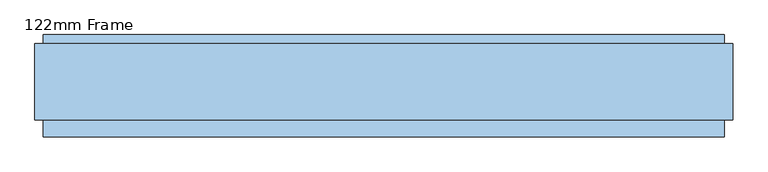
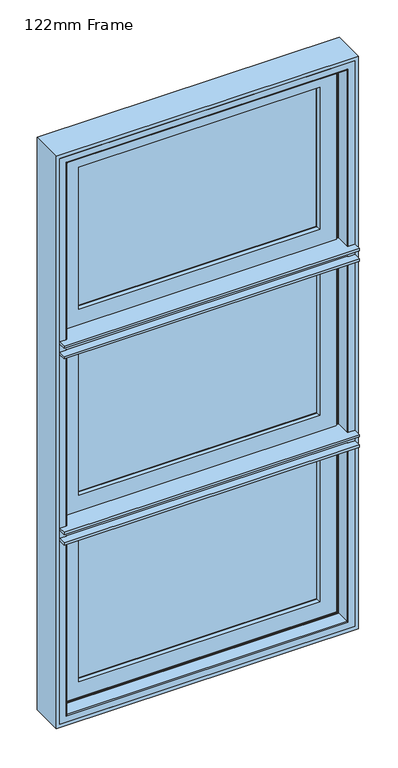
"""IFC4 building model written with IfcOpenShell, lengths in millimetres: window geometry, 122mm Frame."""

from ifc_helpers import new_model, si_unit, frame, origin, place, context, project, spatial, polyline, circle_curve, ellipse_curve, outline, extrude, faceted_brep, source, transform, mapped, element, save
from ifc_brep_helpers import plane_surface, cylinder_surface, advanced_brep


def window_122mm_frame_17906b58(model_context):
    return source(origin(), model_context, "Body", "SolidModel", [
        extrude(outline(polyline([(-410.0, 141.0), (410.0, 141.0), (410.0, 93.0), (-410.0, 93.0), (-410.0, 141.0)])), frame((0.0, 0.0, 890.0), z_axis=(0.0, 0.0, 1.0), x_axis=(1.0, 0.0, 0.0)), (0.0, 0.0, 1.0), 518.6666667),
        faceted_brep([(-432.3998467, 148.4070391, 1431.0665133), (-432.3998467, 153.0, 1431.0665133), (-432.3998467, 153.0, 867.6001533), (-432.3998467, 148.4070391, 867.6001533), (432.3998467, 153.0, 1431.0665133), (432.3998467, 153.0, 867.6001533), (-399.2566168, 153.0, 900.7433832), (399.2566168, 153.0, 900.7433832), (399.2566168, 153.0, 1397.9232834), (-399.2566168, 153.0, 1397.9232834), (432.3998467, 148.4070391, 867.6001533), (-437.6739389, 139.5531262, 1436.3406056), (-437.6739389, 139.5531262, 862.3260611), (437.6739389, 139.5531262, 862.3260611), (-439.5133955, 139.5531262, 1438.1800622), (439.5133955, 139.5531262, 1438.1800622), (439.5133955, 139.5531262, 860.4866045), (-439.5133955, 139.5531262, 860.4866045), (437.6739389, 139.5531262, 1436.3406056), (-439.5133955, 121.0, 1438.1800622), (-439.5133955, 121.0, 860.4866045), (439.5133955, 121.0, 860.4866045), (-449.5133955, 121.0, 1448.1800622), (449.5133955, 121.0, 1448.1800622), (449.5133955, 121.0, 850.4866045), (-449.5133955, 121.0, 850.4866045), (439.5133955, 121.0, 1438.1800622), (-449.5133955, 88.5, 1448.1800622), (-449.5133955, 88.5, 850.4866045), (449.5133955, 88.5, 850.4866045), (-460.2977, 88.5, 1458.9643666), (460.2976999, 88.5, 1458.9643666), (460.2976999, 88.5, 839.7023), (-460.2977, 88.5, 839.7023), (449.5133955, 88.5, 1448.1800622), (-460.2977, 83.5, 1458.9643666), (-460.2977, 83.5, 839.7023), (460.2976999, 83.5, 839.7023), (460.2976999, 83.5, 1458.9643666), (-453.5, 83.5, 1452.1666667), (453.5, 83.5, 1452.1666667), (453.5, 83.5, 846.5), (-453.5, 83.5, 846.5), (-453.5, 78.0, 1452.1666667), (-453.5, 78.0, 846.5), (453.5, 78.0, 846.5), (453.5, 78.0, 1452.1666667), (-398.3157816, 78.0, 1396.9824483), (398.3157816, 78.0, 1396.9824483), (398.3157816, 78.0, 901.6842184), (-398.3157816, 78.0, 901.6842184), (-396.0003067, 88.8934531, 1394.6669733), (-396.0003067, 88.8934531, 903.9996933), (396.0003067, 88.8934531, 903.9996933), (-396.0003067, 93.0, 1394.6669733), (-396.0003067, 93.0, 903.9996933), (396.0003067, 93.0, 903.9996933), (-410.0, 93.0, 1408.6666667), (410.0, 93.0, 1408.6666667), (410.0, 93.0, 890.0), (-410.0, 93.0, 890.0), (396.0003067, 93.0, 1394.6669733), (-410.0, 141.0, 1408.6666667), (-410.0, 141.0, 890.0), (410.0, 141.0, 890.0), (410.0, 141.0, 1408.6666667), (-395.5878486, 141.0, 1394.2545152), (395.5878486, 141.0, 1394.2545152), (395.5878486, 141.0, 904.4121514), (-395.5878486, 141.0, 904.4121514), (432.3998467, 148.4070391, 1431.0665133), (396.0003067, 88.8934531, 1394.6669733)], [[[0, 1, 2, 3]], [[1, 4, 5, 2], [6, 7, 8, 9]], [[3, 2, 5, 10]], [[11, 0, 3, 12]], [[12, 3, 10, 13]], [[14, 15, 16, 17], [12, 13, 18, 11]], [[19, 14, 17, 20]], [[20, 17, 16, 21]], [[22, 23, 24, 25], [20, 21, 26, 19]], [[27, 22, 25, 28]], [[28, 25, 24, 29]], [[30, 31, 32, 33], [28, 29, 34, 27]], [[35, 30, 33, 36]], [[36, 33, 32, 37]], [[36, 37, 38, 35], [39, 40, 41, 42]], [[43, 39, 42, 44]], [[44, 42, 41, 45]], [[44, 45, 46, 43], [47, 48, 49, 50]], [[51, 47, 50, 52]], [[52, 50, 49, 53]], [[54, 51, 52, 55]], [[55, 52, 53, 56]], [[57, 58, 59, 60], [55, 56, 61, 54]], [[62, 57, 60, 63]], [[63, 60, 59, 64]], [[63, 64, 65, 62], [66, 67, 68, 69]], [[9, 66, 69, 6]], [[6, 69, 68, 7]], [[10, 5, 4, 70]], [[13, 10, 70, 18]], [[21, 16, 15, 26]], [[29, 24, 23, 34]], [[37, 32, 31, 38]], [[45, 41, 40, 46]], [[53, 49, 48, 71]], [[56, 53, 71, 61]], [[64, 59, 58, 65]], [[7, 68, 67, 8]], [[70, 4, 1, 0]], [[18, 70, 0, 11]], [[26, 15, 14, 19]], [[34, 23, 22, 27]], [[38, 31, 30, 35]], [[46, 40, 39, 43]], [[71, 48, 47, 51]], [[61, 71, 51, 54]], [[65, 58, 57, 62]], [[8, 67, 66, 9]]]),
        advanced_brep(
        [(-464.0, 35.0, 836.0), (-464.0, 83.0, 836.0), (-464.0, 83.0, 1452.5666669), (-464.0, 35.0, 1452.5666669), (-464.0, 35.0, 1462.6666667), (-464.0, 35.0, 1460.6666667), (-464.0, 83.0, 1460.6666667), (-464.0, 83.0, 1462.6666667), (-464.0, 83.0, 2764.0), (-464.0, 35.0, 2764.0), (-464.0, 35.0, 2147.4333331), (-464.0, 83.0, 2147.4333331), (-464.0, 35.0, 1488.6666667), (-464.0, 35.0, 1486.6666667), (-464.0, 83.0, 1486.6666667), (-464.0, 83.0, 1488.6666667), (-464.0, 35.0, 1496.7666665), (-464.0, 83.0, 1496.7666665), (-464.0, 83.0, 2103.2333335), (-464.0, 35.0, 2103.2333335), (-464.0, 35.0, 2113.3333333), (-464.0, 35.0, 2111.3333333), (-464.0, 83.0, 2111.3333333), (-464.0, 83.0, 2113.3333333), (-464.0, 35.0, 2139.3333333), (-464.0, 35.0, 2137.3333333), (-464.0, 83.0, 2137.3333333), (-464.0, 83.0, 2139.3333333), (464.0, 35.0, 836.0), (464.0, 83.0, 836.0), (464.0, 83.0, 1452.5666669), (462.0, 83.0, 1452.5666669), (462.0, 83.0, 838.0), (-462.0, 83.0, 838.0), (-462.0, 83.0, 1452.5666669), (464.0, 83.0, 2764.0), (-462.0, 83.0, 2147.4333331), (-462.0, 83.0, 2762.0), (462.0, 83.0, 2762.0), (462.0, 83.0, 2147.4333331), (464.0, 83.0, 2147.4333331), (464.0, 83.0, 2111.3333333), (464.0, 83.0, 2113.3333333), (464.0, 83.0, 1460.6666667), (464.0, 83.0, 1462.6666667), (464.0, 83.0, 1486.6666667), (464.0, 83.0, 1488.6666667), (464.0, 83.0, 2137.3333333), (464.0, 83.0, 2139.3333333), (-462.0, 83.0, 1496.7666665), (-462.0, 83.0, 2103.2333335), (462.0, 83.0, 1496.7666665), (464.0, 83.0, 1496.7666665), (464.0, 83.0, 2103.2333335), (462.0, 83.0, 2103.2333335), (-467.0, 32.0, 833.0), (-467.0, 32.0, 1452.5666669), (-467.0, 32.0, 1462.6666667), (-467.0, 32.0, 1460.6666667), (-467.0, 32.0, 2767.0), (-467.0, 32.0, 2147.4333331), (-467.0, 32.0, 1488.6666667), (-467.0, 32.0, 1486.6666667), (-467.0, 32.0, 2113.3333333), (-467.0, 32.0, 2111.3333333), (-467.0, 32.0, 2139.3333333), (-467.0, 32.0, 2137.3333333), (-467.0, 32.0, 1496.7666665), (-467.0, 32.0, 2103.2333335), (-462.0, 111.4, 838.0), (-462.0, 111.4, 1452.5666669), (-462.0, 111.4, 2762.0), (-462.0, 111.4, 2147.4333331), (-462.0, 111.4, 1496.7666665), (-462.0, 111.4, 2103.2333335), (462.0, 111.4, 838.0), (462.0, 111.4, 1452.5666669), (453.9000002, 111.4, 1452.5666669), (453.9000002, 111.4, 846.0999998), (-453.9000002, 111.4, 846.0999998), (-453.9000002, 111.4, 1452.5666669), (462.0, 111.4, 2762.0), (-453.9000002, 111.4, 2147.4333331), (-453.9000002, 111.4, 2753.9000002), (453.9000002, 111.4, 2753.9000002), (453.9000002, 111.4, 2147.4333331), (462.0, 111.4, 2147.4333331), (-453.9000002, 111.4, 1496.7666665), (-453.9000002, 111.4, 2103.2333335), (453.9000002, 111.4, 1496.7666665), (462.0, 111.4, 1496.7666665), (462.0, 111.4, 2103.2333335), (453.9000002, 111.4, 2103.2333335), (-453.9000002, 126.0, 846.0999998), (-453.9000002, 126.0, 1452.5666669), (-453.9000002, 126.0, 1496.7666665), (-453.9000002, 126.0, 2103.2333335), (-453.9000002, 126.0, 2147.4333331), (-453.9000002, 126.0, 2753.9000002), (453.9000002, 126.0, 846.0999998), (453.9000002, 126.0, 1452.5666669), (446.7201943, 126.0, 853.2798057), (-446.7201943, 126.0, 853.2798057), (-446.7201943, 126.0, 1443.0666667), (446.7201943, 126.0, 1443.0666667), (453.9000002, 126.0, 2753.9000002), (453.9000002, 126.0, 2147.4333331), (446.7201943, 126.0, 2746.7201943), (446.7201943, 126.0, 2156.9333333), (-446.7201943, 126.0, 2156.9333333), (-446.7201943, 126.0, 2746.7201943), (453.9000002, 126.0, 1496.7666665), (453.9000002, 126.0, 2103.2333335), (446.7201943, 126.0, 1506.2666667), (-446.7201943, 126.0, 1506.2666667), (-446.7201943, 126.0, 2093.7333333), (446.7201943, 126.0, 2093.7333333), (-446.7201943, 140.2372876, 853.2798057), (-446.7201943, 140.2372876, 1443.0666667), (-446.7201943, 140.2372876, 2746.7201943), (-446.7201943, 140.2372876, 2156.9333333), (-446.7201943, 140.2372876, 1506.2666667), (-446.7201943, 140.2372876, 2093.7333333), (446.7201943, 140.2372876, 853.2798057), (446.7201943, 140.2372876, 1443.0666667), (438.0131086, 140.2372876, 1443.0666667), (438.0131086, 140.2372876, 861.9868914), (-438.0131086, 140.2372876, 861.9868914), (-438.0131086, 140.2372876, 1443.0666667), (446.7201943, 140.2372876, 2746.7201943), (-438.0131086, 140.2372876, 2156.9333333), (-438.0131086, 140.2372876, 2738.0131086), (438.0131086, 140.2372876, 2738.0131086), (438.0131086, 140.2372876, 2156.9333333), (446.7201943, 140.2372876, 2156.9333333), (-438.0131086, 140.2372876, 1506.2666667), (-438.0131086, 140.2372876, 2093.7333333), (438.0131086, 140.2372876, 1506.2666667), (446.7201943, 140.2372876, 1506.2666667), (446.7201943, 140.2372876, 2093.7333333), (438.0131086, 140.2372876, 2093.7333333), (-438.0131086, 143.3877115, 861.9868914), (-438.0131086, 143.3877115, 1436.6797752), (-438.0131086, 141.0, 1436.6797752), (-438.0131086, 141.0, 1443.0666667), (-438.0131086, 143.3877115, 2738.0131086), (-438.0131086, 141.0, 2156.9333333), (-438.0131086, 141.0, 2163.3202248), (-438.0131086, 143.3877115, 2163.3202248), (-438.0131086, 141.0, 1506.2666667), (-438.0131086, 141.0, 1512.6535581), (-438.0131086, 143.3877115, 1512.6535581), (-438.0131086, 143.3877115, 2087.3464419), (-438.0131086, 141.0, 2087.3464419), (-438.0131086, 141.0, 2093.7333333), (438.0131086, 143.3877115, 861.9868914), (-441.2576108, 154.0, 858.7423892), (-441.2576108, 154.0, 1439.9242774), (-441.2576108, 154.0, 2741.2576108), (-441.2576108, 154.0, 2160.0757226), (-441.2576108, 154.0, 1509.4090559), (-441.2576108, 154.0, 2090.5909441), (441.2576108, 154.0, 858.7423892), (488.0, 154.0, 2788.0), (488.0, 154.0, 812.0), (-488.0, 154.0, 812.0), (-488.0, 154.0, 2788.0), (441.2576108, 154.0, 1439.9242774), (441.2576108, 154.0, 1509.4090559), (441.2576108, 154.0, 2090.5909441), (441.2576108, 154.0, 2741.2576108), (441.2576108, 154.0, 2160.0757226), (-488.0, 32.0, 812.0), (488.0, 32.0, 812.0), (488.0, 32.0, 1452.5666669), (467.0, 32.0, 1452.5666669), (467.0, 32.0, 833.0), (-488.0, 32.0, 1452.5666669), (488.0, 32.0, 2788.0), (-488.0, 32.0, 2788.0), (-488.0, 32.0, 2147.4333331), (467.0, 32.0, 2767.0), (467.0, 32.0, 2147.4333331), (488.0, 32.0, 2147.4333331), (467.0, 32.0, 1462.6666667), (467.0, 32.0, 1460.6666667), (488.0, 32.0, 1460.6666667), (488.0, 32.0, 1488.6666667), (467.0, 32.0, 1488.6666667), (467.0, 32.0, 1486.6666667), (-488.0, 32.0, 1488.6666667), (-488.0, 32.0, 1460.6666667), (467.0, 32.0, 2113.3333333), (467.0, 32.0, 2111.3333333), (488.0, 32.0, 2111.3333333), (488.0, 32.0, 2139.3333333), (467.0, 32.0, 2139.3333333), (467.0, 32.0, 2137.3333333), (-488.0, 32.0, 2139.3333333), (-488.0, 32.0, 2111.3333333), (-488.0, 32.0, 1496.7666665), (-488.0, 32.0, 2103.2333335), (467.0, 32.0, 1496.7666665), (488.0, 32.0, 1496.7666665), (488.0, 32.0, 2103.2333335), (467.0, 32.0, 2103.2333335), (-488.0, 7.4, 1452.5666669), (-488.0, 7.4, 1460.6666667), (-488.0, 7.4, 1488.6666667), (-488.0, 7.4, 1496.7666665), (-488.0, 7.4, 2103.2333335), (-488.0, 7.4, 2111.3333333), (-488.0, 7.4, 2139.3333333), (-488.0, 7.4, 2147.4333331), (464.0, 35.0, 1452.5666669), (464.0, 35.0, 2764.0), (464.0, 35.0, 2147.4333331), (464.0, 35.0, 1460.6666667), (464.0, 35.0, 1462.6666667), (464.0, 35.0, 1486.6666667), (464.0, 35.0, 1488.6666667), (464.0, 35.0, 1496.7666665), (464.0, 35.0, 2103.2333335), (464.0, 35.0, 2111.3333333), (464.0, 35.0, 2113.3333333), (464.0, 35.0, 2137.3333333), (464.0, 35.0, 2139.3333333), (438.0131086, 141.0, 1443.0666667), (438.0131086, 141.0, 1436.6797752), (438.0131086, 143.3877115, 1436.6797752), (438.0131086, 143.3877115, 2738.0131086), (438.0131086, 143.3877115, 2163.3202248), (438.0131086, 141.0, 2163.3202248), (438.0131086, 141.0, 2156.9333333), (438.0131086, 141.0, 1506.2666667), (438.0131086, 141.0, 2093.7333333), (438.0131086, 141.0, 2087.3464419), (438.0131086, 143.3877115, 2087.3464419), (438.0131086, 143.3877115, 1512.6535581), (438.0131086, 141.0, 1512.6535581), (488.0, 7.4, 2147.4333331), (488.0, 7.4, 2139.3333333), (488.0, 7.4, 2111.3333333), (488.0, 7.4, 2103.2333335), (488.0, 7.4, 1496.7666665), (488.0, 7.4, 1488.6666667), (488.0, 7.4, 1460.6666667), (488.0, 7.4, 1452.5666669)],
        [
            (0, 1),
            (1, 2),
            (2, 3),
            (3, 0),
            (4, 5),
            (5, 6),
            (6, 7),
            (7, 4),
            (8, 9),
            (9, 10),
            (10, 11),
            (11, 8),
            (12, 13),
            (13, 14),
            (14, 15),
            (15, 12),
            (16, 17),
            (17, 18),
            (18, 19),
            (19, 16),
            (20, 21),
            (21, 22),
            (22, 23),
            (23, 20),
            (24, 25),
            (25, 26),
            (26, 27),
            (27, 24),
            (0, 28),
            (28, 29),
            (29, 1),
            (29, 30),
            (30, 31),
            (31, 32),
            (32, 33),
            (33, 34),
            (34, 2),
            (35, 8),
            (11, 36),
            (36, 37),
            (37, 38),
            (38, 39),
            (39, 40),
            (40, 35),
            (22, 41),
            (41, 42),
            (42, 23),
            (43, 44),
            (44, 7),
            (6, 43),
            (45, 46),
            (46, 15),
            (14, 45),
            (47, 48),
            (48, 27),
            (26, 47),
            (17, 49),
            (49, 50),
            (50, 18),
            (51, 52),
            (52, 53),
            (53, 54),
            (54, 51),
            (55, 0, ellipse_curve(frame((-467.0, 35.0, 833.0), z_axis=(-0.7071067811865475, 0.0, 0.7071067811865475), x_axis=(0.7071067811865474, 0.0, 0.7071067811865476)), 4.2426407, 3.0)),
            (3, 56, circle_curve(frame((-467.0, 35.0, 1452.5666669), z_axis=(0.0, 0.0, -1.0), x_axis=(0.0, 1.0, 0.0)), 3.0)),
            (56, 55),
            (4, 57, circle_curve(frame((-467.0, 35.0, 1462.6666667), z_axis=(0.0, 0.0, -1.0), x_axis=(0.0, 1.0, 0.0)), 3.0)),
            (57, 58),
            (58, 5, circle_curve(frame((-467.0, 35.0, 1460.6666667), z_axis=(0.0, 0.0, 1.0), x_axis=(0.0, 1.0, 0.0)), 3.0)),
            (9, 59, ellipse_curve(frame((-467.0, 35.0, 2767.0), z_axis=(-0.7071067811865475, 0.0, -0.7071067811865475), x_axis=(-0.7071067811865474, 0.0, 0.7071067811865476)), 4.2426407, 3.0)),
            (59, 60),
            (60, 10, circle_curve(frame((-467.0, 35.0, 2147.4333331), z_axis=(0.0, 0.0, 1.0), x_axis=(0.0, 1.0, 0.0)), 3.0)),
            (12, 61, circle_curve(frame((-467.0, 35.0, 1488.6666667), z_axis=(0.0, 0.0, -1.0), x_axis=(0.0, 1.0, 0.0)), 3.0)),
            (61, 62),
            (62, 13, circle_curve(frame((-467.0, 35.0, 1486.6666667), z_axis=(0.0, 0.0, 1.0), x_axis=(0.0, 1.0, 0.0)), 3.0)),
            (20, 63, circle_curve(frame((-467.0, 35.0, 2113.3333333), z_axis=(0.0, 0.0, -1.0), x_axis=(0.0, 1.0, 0.0)), 3.0)),
            (63, 64),
            (64, 21, circle_curve(frame((-467.0, 35.0, 2111.3333333), z_axis=(0.0, 0.0, 1.0), x_axis=(0.0, 1.0, 0.0)), 3.0)),
            (24, 65, circle_curve(frame((-467.0, 35.0, 2139.3333333), z_axis=(0.0, 0.0, -1.0), x_axis=(0.0, 1.0, 0.0)), 3.0)),
            (65, 66),
            (66, 25, circle_curve(frame((-467.0, 35.0, 2137.3333333), z_axis=(0.0, 0.0, 1.0), x_axis=(0.0, 1.0, 0.0)), 3.0)),
            (67, 16, circle_curve(frame((-467.0, 35.0, 1496.7666665), z_axis=(0.0, 0.0, 1.0), x_axis=(0.0, 1.0, 0.0)), 3.0)),
            (19, 68, circle_curve(frame((-467.0, 35.0, 2103.2333335), z_axis=(0.0, 0.0, -1.0), x_axis=(0.0, 1.0, 0.0)), 3.0)),
            (68, 67),
            (33, 69),
            (69, 70),
            (70, 34),
            (71, 37),
            (36, 72),
            (72, 71),
            (49, 73),
            (73, 74),
            (74, 50),
            (32, 75),
            (75, 69),
            (75, 76),
            (76, 77),
            (77, 78),
            (78, 79),
            (79, 80),
            (80, 70),
            (81, 71),
            (72, 82),
            (82, 83),
            (83, 84),
            (84, 85),
            (85, 86),
            (86, 81),
            (73, 87),
            (87, 88),
            (88, 74),
            (89, 90),
            (90, 91),
            (91, 92),
            (92, 89),
            (79, 93),
            (93, 94),
            (94, 80),
            (87, 95),
            (95, 96),
            (96, 88),
            (97, 98),
            (98, 83),
            (82, 97),
            (78, 99),
            (99, 93),
            (99, 100),
            (100, 94),
            (101, 102),
            (102, 103),
            (103, 104),
            (104, 101),
            (105, 98),
            (97, 106),
            (106, 105),
            (107, 108),
            (108, 109),
            (109, 110),
            (110, 107),
            (95, 111),
            (111, 112),
            (112, 96),
            (113, 114),
            (114, 115),
            (115, 116),
            (116, 113),
            (102, 117),
            (117, 118),
            (118, 103),
            (119, 110),
            (109, 120),
            (120, 119),
            (114, 121),
            (121, 122),
            (122, 115),
            (101, 123),
            (123, 117),
            (123, 124),
            (124, 125),
            (125, 126),
            (126, 127),
            (127, 128),
            (128, 118),
            (129, 119),
            (120, 130),
            (130, 131),
            (131, 132),
            (132, 133),
            (133, 134),
            (134, 129),
            (121, 135),
            (135, 136),
            (136, 122),
            (137, 138),
            (138, 139),
            (139, 140),
            (140, 137),
            (127, 141),
            (141, 142),
            (142, 143),
            (143, 144),
            (144, 128),
            (145, 131),
            (130, 146),
            (146, 147),
            (147, 148),
            (148, 145),
            (135, 149),
            (149, 150),
            (150, 151),
            (151, 152),
            (152, 153),
            (153, 154),
            (154, 136),
            (126, 155),
            (155, 141),
            (141, 156),
            (156, 157),
            (157, 142),
            (158, 145),
            (148, 159),
            (159, 158),
            (151, 160),
            (160, 161),
            (161, 152),
            (155, 162),
            (162, 156),
            (163, 164),
            (164, 165),
            (165, 166),
            (166, 163),
            (162, 167),
            (167, 157),
            (168, 169),
            (169, 161),
            (160, 168),
            (170, 158),
            (159, 171),
            (171, 170),
            (172, 173),
            (173, 174),
            (174, 175),
            (175, 176),
            (176, 55),
            (56, 177),
            (177, 172),
            (178, 179),
            (179, 180),
            (180, 60),
            (59, 181),
            (181, 182),
            (182, 183),
            (183, 178),
            (57, 184),
            (184, 185),
            (185, 186),
            (186, 187),
            (187, 188),
            (188, 189),
            (189, 62),
            (61, 190),
            (190, 191),
            (191, 58),
            (63, 192),
            (192, 193),
            (193, 194),
            (194, 195),
            (195, 196),
            (196, 197),
            (197, 66),
            (65, 198),
            (198, 199),
            (199, 64),
            (200, 67),
            (68, 201),
            (201, 200),
            (202, 203),
            (203, 204),
            (204, 205),
            (205, 202),
            (179, 166),
            (165, 172),
            (177, 206),
            (206, 207),
            (207, 191),
            (190, 208),
            (208, 209),
            (209, 200),
            (201, 210),
            (210, 211),
            (211, 199),
            (198, 212),
            (212, 213),
            (213, 180),
            (164, 173),
            (176, 28, ellipse_curve(frame((467.0, 35.0, 833.0), z_axis=(-0.7071067811865475, 0.0, -0.7071067811865475), x_axis=(-0.7071067811865476, 0.0, 0.7071067811865474)), 4.2426407, 3.0)),
            (28, 214),
            (214, 30),
            (215, 35),
            (40, 216),
            (216, 215),
            (217, 218),
            (218, 44),
            (43, 217),
            (219, 220),
            (220, 46),
            (45, 219),
            (52, 221),
            (221, 222),
            (222, 53),
            (223, 224),
            (224, 42),
            (41, 223),
            (225, 226),
            (226, 48),
            (47, 225),
            (31, 76),
            (38, 81),
            (86, 39),
            (90, 51),
            (54, 91),
            (77, 100),
            (84, 105),
            (106, 85),
            (111, 89),
            (92, 112),
            (104, 124),
            (107, 129),
            (134, 108),
            (138, 113),
            (116, 139),
            (125, 227),
            (227, 228),
            (228, 229),
            (229, 155),
            (132, 230),
            (230, 231),
            (231, 232),
            (232, 233),
            (233, 133),
            (234, 137),
            (140, 235),
            (235, 236),
            (236, 237),
            (237, 238),
            (238, 239),
            (239, 234),
            (229, 167),
            (230, 170),
            (171, 231),
            (168, 238),
            (237, 169),
            (163, 178),
            (183, 240),
            (240, 241),
            (241, 195),
            (194, 242),
            (242, 243),
            (243, 204),
            (203, 244),
            (244, 245),
            (245, 187),
            (186, 246),
            (246, 247),
            (247, 174),
            (175, 214, circle_curve(frame((467.0, 35.0, 1452.5666669), z_axis=(0.0, 0.0, -1.0), x_axis=(0.0, 1.0, 0.0)), 3.0)),
            (217, 185, circle_curve(frame((467.0, 35.0, 1460.6666667), z_axis=(0.0, 0.0, 1.0), x_axis=(0.0, 1.0, 0.0)), 3.0)),
            (184, 218, circle_curve(frame((467.0, 35.0, 1462.6666667), z_axis=(0.0, 0.0, -1.0), x_axis=(0.0, 1.0, 0.0)), 3.0)),
            (181, 215, ellipse_curve(frame((467.0, 35.0, 2767.0), z_axis=(0.7071067811865475, 0.0, -0.7071067811865475), x_axis=(-0.7071067811865474, 0.0, -0.7071067811865476)), 4.2426407, 3.0)),
            (216, 182, circle_curve(frame((467.0, 35.0, 2147.4333331), z_axis=(0.0, 0.0, 1.0), x_axis=(0.0, 1.0, 0.0)), 3.0)),
            (219, 189, circle_curve(frame((467.0, 35.0, 1486.6666667), z_axis=(0.0, 0.0, 1.0), x_axis=(0.0, 1.0, 0.0)), 3.0)),
            (188, 220, circle_curve(frame((467.0, 35.0, 1488.6666667), z_axis=(0.0, 0.0, -1.0), x_axis=(0.0, 1.0, 0.0)), 3.0)),
            (223, 193, circle_curve(frame((467.0, 35.0, 2111.3333333), z_axis=(0.0, 0.0, 1.0), x_axis=(0.0, 1.0, 0.0)), 3.0)),
            (192, 224, circle_curve(frame((467.0, 35.0, 2113.3333333), z_axis=(0.0, 0.0, -1.0), x_axis=(0.0, 1.0, 0.0)), 3.0)),
            (225, 197, circle_curve(frame((467.0, 35.0, 2137.3333333), z_axis=(0.0, 0.0, 1.0), x_axis=(0.0, 1.0, 0.0)), 3.0)),
            (196, 226, circle_curve(frame((467.0, 35.0, 2139.3333333), z_axis=(0.0, 0.0, -1.0), x_axis=(0.0, 1.0, 0.0)), 3.0)),
            (221, 202, circle_curve(frame((467.0, 35.0, 1496.7666665), z_axis=(0.0, 0.0, 1.0), x_axis=(0.0, 1.0, 0.0)), 3.0)),
            (205, 222, circle_curve(frame((467.0, 35.0, 2103.2333335), z_axis=(0.0, 0.0, -1.0), x_axis=(0.0, 1.0, 0.0)), 3.0)),
            (215, 9),
            (145, 230),
            (229, 142),
            (228, 143),
            (227, 144),
            (247, 206),
            (207, 246),
            (245, 208),
            (209, 244),
            (234, 149),
            (239, 150),
            (238, 151),
            (237, 152),
            (236, 153),
            (235, 154),
            (243, 210),
            (211, 242),
            (241, 212),
            (213, 240),
            (233, 146),
            (232, 147),
            (231, 148),
        ],
        [
            plane_surface(frame((-464.0, 35.0, 2764.0), z_axis=(1.0, 0.0, 0.0), x_axis=(0.0, 0.0, -1.0))),
            plane_surface(frame((-464.0, 35.0, 836.0), z_axis=(0.0, 0.0, 1.0), x_axis=(1.0, 0.0, 0.0))),
            plane_surface(frame((464.0, 83.0, 2764.0), z_axis=(0.0, -1.0, 0.0), x_axis=(-1.0, 0.0, 0.0))),
            cylinder_surface(frame((-467.0, 35.0, 2788.0), z_axis=(0.0, 0.0, 1.0), x_axis=(0.0, 1.0, 0.0)), 3.0),
            plane_surface(frame((-462.0, 83.0, 2762.0), z_axis=(1.0, 0.0, 0.0), x_axis=(0.0, 0.0, -1.0))),
            plane_surface(frame((-462.0, 83.0, 838.0), z_axis=(0.0, 0.0, 1.0), x_axis=(1.0, 0.0, 0.0))),
            plane_surface(frame((462.0, 111.4, 2762.0), z_axis=(0.0, -1.0, 0.0), x_axis=(-1.0, 0.0, 0.0))),
            plane_surface(frame((-453.9000002, 111.4, 2753.9000002), z_axis=(1.0, 0.0, 0.0), x_axis=(0.0, 0.0, -1.0))),
            plane_surface(frame((-453.9000002, 111.4, 846.0999998), z_axis=(0.0, 0.0, 1.0), x_axis=(1.0, 0.0, 0.0))),
            plane_surface(frame((453.9000002, 126.0, 2753.9000002), z_axis=(0.0, -1.0, 0.0), x_axis=(-1.0, 0.0, 0.0))),
            plane_surface(frame((-446.7201943, 126.0, 2746.7201943), z_axis=(1.0, 0.0, 0.0), x_axis=(0.0, 0.0, -1.0))),
            plane_surface(frame((-446.7201943, 126.0, 853.2798057), z_axis=(0.0, 0.0, 1.0), x_axis=(1.0, 0.0, 0.0))),
            plane_surface(frame((446.7201943, 140.2372876, 2746.7201943), z_axis=(0.0, -1.0, 0.0), x_axis=(-1.0, 0.0, 0.0))),
            plane_surface(frame((-438.0131086, 140.2372876, 2738.0131086), z_axis=(1.0, 0.0, 0.0), x_axis=(0.0, 0.0, -1.0))),
            plane_surface(frame((-438.0131086, 140.2372876, 861.9868914), z_axis=(0.0, 0.0, 1.0), x_axis=(1.0, 0.0, 0.0))),
            plane_surface(frame((-438.0131086, 143.3877115, 2738.0131086), z_axis=(0.9563047559629342, 0.2923717047230683, 0.0), x_axis=(0.0, 0.0, -1.0))),
            plane_surface(frame((-438.0131086, 143.3877115, 861.9868914), z_axis=(0.0, 0.2923717047230683, 0.9563047559629342), x_axis=(1.0, 0.0, 0.0))),
            plane_surface(frame((441.2576108, 154.0, 2741.2576108), z_axis=(0.0, 1.0, 0.0), x_axis=(-1.0, 0.0, 0.0))),
            plane_surface(frame((488.0, 32.0, 2788.0), z_axis=(0.0, -1.0, 0.0), x_axis=(-1.0, 0.0, 0.0))),
            plane_surface(frame((-488.0, 154.0, 2788.0), z_axis=(-1.0, 0.0, 0.0), x_axis=(0.0, 0.0, -1.0))),
            plane_surface(frame((-488.0, 154.0, 812.0), z_axis=(0.0, 0.0, -1.0), x_axis=(1.0, 0.0, 0.0))),
            cylinder_surface(frame((-488.0, 35.0, 833.0), z_axis=(-1.0, 0.0, 0.0), x_axis=(0.0, 1.0, 0.0)), 3.0),
            plane_surface(frame((464.0, 35.0, 836.0), z_axis=(-1.0, 0.0, 0.0), x_axis=(0.0, 0.0, 1.0))),
            plane_surface(frame((462.0, 83.0, 838.0), z_axis=(-1.0, 0.0, 0.0), x_axis=(0.0, 0.0, 1.0))),
            plane_surface(frame((453.9000002, 111.4, 846.0999998), z_axis=(-1.0, 0.0, 0.0), x_axis=(0.0, 0.0, 1.0))),
            plane_surface(frame((446.7201943, 126.0, 853.2798057), z_axis=(-1.0, 0.0, 0.0), x_axis=(0.0, 0.0, 1.0))),
            plane_surface(frame((438.0131086, 140.2372876, 861.9868914), z_axis=(-1.0, 0.0, 0.0), x_axis=(0.0, 0.0, 1.0))),
            plane_surface(frame((438.0131086, 143.3877115, 861.9868914), z_axis=(-0.9563047559629342, 0.2923717047230683, 0.0), x_axis=(0.0, 0.0, 1.0))),
            plane_surface(frame((488.0, 154.0, 812.0), z_axis=(1.0, 0.0, 0.0), x_axis=(0.0, 0.0, 1.0))),
            cylinder_surface(frame((467.0, 35.0, 812.0), z_axis=(0.0, 0.0, -1.0), x_axis=(0.0, 1.0, 0.0)), 3.0),
            plane_surface(frame((464.0, 35.0, 2764.0), z_axis=(0.0, 0.0, -1.0), x_axis=(-1.0, 0.0, 0.0))),
            plane_surface(frame((462.0, 83.0, 2762.0), z_axis=(0.0, 0.0, -1.0), x_axis=(-1.0, 0.0, 0.0))),
            plane_surface(frame((453.9000002, 111.4, 2753.9000002), z_axis=(0.0, 0.0, -1.0), x_axis=(-1.0, 0.0, 0.0))),
            plane_surface(frame((446.7201943, 126.0, 2746.7201943), z_axis=(0.0, 0.0, -1.0), x_axis=(-1.0, 0.0, 0.0))),
            plane_surface(frame((438.0131086, 140.2372876, 2738.0131086), z_axis=(0.0, 0.0, -1.0), x_axis=(-1.0, 0.0, 0.0))),
            plane_surface(frame((438.0131086, 143.3877115, 2738.0131086), z_axis=(0.0, 0.2923717047230683, -0.9563047559629342), x_axis=(-1.0, 0.0, 0.0))),
            plane_surface(frame((488.0, 154.0, 2788.0), z_axis=(0.0, 0.0, 1.0), x_axis=(-1.0, 0.0, 0.0))),
            cylinder_surface(frame((488.0, 35.0, 2767.0), z_axis=(1.0, 0.0, 0.0), x_axis=(0.0, 1.0, 0.0)), 3.0),
            plane_surface(frame((-488.0, 154.0, 1439.9242774), z_axis=(0.0, 0.2923717047190295, -0.956304755964169), x_axis=(1.0, 0.0, 0.0))),
            plane_surface(frame((-488.0, 143.3877115, 1436.6797752), z_axis=(0.0, 0.0, -1.0), x_axis=(1.0, 0.0, 0.0))),
            plane_surface(frame((-488.0, 141.0, 1436.6797752), z_axis=(0.0, -1.0, 0.0), x_axis=(1.0, 0.0, 0.0))),
            plane_surface(frame((-488.0, 141.0, 1443.0666667), z_axis=(0.0, 0.0, -1.0), x_axis=(1.0, 0.0, 0.0))),
            plane_surface(frame((-488.0, 126.0, 1452.5666669), z_axis=(0.0, 0.0, -1.0), x_axis=(1.0, 0.0, 0.0))),
            plane_surface(frame((-488.0, 7.4, 1460.6666667), z_axis=(0.0, 0.0, 1.0), x_axis=(1.0, 0.0, 0.0))),
            plane_surface(frame((-488.0, 83.0, 1462.6666667), z_axis=(0.0, 0.0, -1.0), x_axis=(1.0, 0.0, 0.0))),
            plane_surface(frame((-488.0, 32.0, 1486.6666667), z_axis=(0.0, 0.0, 1.0), x_axis=(1.0, 0.0, 0.0))),
            plane_surface(frame((-488.0, 83.0, 1488.6666667), z_axis=(0.0, 0.0, -1.0), x_axis=(1.0, 0.0, 0.0))),
            plane_surface(frame((-488.0, 7.4, 1496.7666665), z_axis=(0.0, 0.0, 1.0), x_axis=(1.0, 0.0, 0.0))),
            plane_surface(frame((-488.0, 126.0, 1506.2666667), z_axis=(0.0, 0.0, 1.0), x_axis=(1.0, 0.0, 0.0))),
            plane_surface(frame((-488.0, 141.0, 1506.2666667), z_axis=(0.0, -1.0, 0.0), x_axis=(1.0, 0.0, 0.0))),
            plane_surface(frame((-488.0, 141.0, 1512.6535581), z_axis=(0.0, 0.0, 1.0), x_axis=(1.0, 0.0, 0.0))),
            plane_surface(frame((-488.0, 143.3877115, 1512.6535581), z_axis=(0.0, 0.2923717047192263, 0.9563047559641088), x_axis=(1.0, 0.0, 0.0))),
            plane_surface(frame((-488.0, 154.0, 2090.5909441), z_axis=(0.0, 0.2923717047201744, -0.9563047559638189), x_axis=(1.0, 0.0, 0.0))),
            plane_surface(frame((-488.0, 143.3877115, 2087.3464419), z_axis=(0.0, 0.0, -1.0), x_axis=(1.0, 0.0, 0.0))),
            plane_surface(frame((-488.0, 141.0, 2087.3464419), z_axis=(0.0, -1.0, 0.0), x_axis=(1.0, 0.0, 0.0))),
            plane_surface(frame((-488.0, 141.0, 2093.7333333), z_axis=(0.0, 0.0, -1.0), x_axis=(1.0, 0.0, 0.0))),
            plane_surface(frame((-488.0, 126.0, 2103.2333335), z_axis=(0.0, 0.0, -1.0), x_axis=(1.0, 0.0, 0.0))),
            plane_surface(frame((-488.0, 7.4, 2111.3333333), z_axis=(0.0, 0.0, 1.0), x_axis=(1.0, 0.0, 0.0))),
            plane_surface(frame((-488.0, 83.0, 2113.3333333), z_axis=(0.0, 0.0, -1.0), x_axis=(1.0, 0.0, 0.0))),
            plane_surface(frame((-488.0, 32.0, 2137.3333333), z_axis=(0.0, 0.0, 1.0), x_axis=(1.0, 0.0, 0.0))),
            plane_surface(frame((-488.0, 83.0, 2139.3333333), z_axis=(0.0, 0.0, -1.0), x_axis=(1.0, 0.0, 0.0))),
            plane_surface(frame((-488.0, 7.4, 2147.4333331), z_axis=(0.0, 0.0, 1.0), x_axis=(1.0, 0.0, 0.0))),
            plane_surface(frame((-488.0, 126.0, 2156.9333333), z_axis=(0.0, 0.0, 1.0), x_axis=(1.0, 0.0, 0.0))),
            plane_surface(frame((-488.0, 141.0, 2156.9333333), z_axis=(0.0, -1.0, 0.0), x_axis=(1.0, 0.0, 0.0))),
            plane_surface(frame((-488.0, 141.0, 2163.3202248), z_axis=(0.0, 0.0, 1.0), x_axis=(1.0, 0.0, 0.0))),
            plane_surface(frame((-488.0, 143.3877115, 2163.3202248), z_axis=(0.0, 0.29237170472032403, 0.9563047559637732), x_axis=(1.0, 0.0, 0.0))),
            plane_surface(frame((-488.0, 7.4, 1452.5666669), z_axis=(0.0, -1.0, 0.0), x_axis=(1.0, 0.0, 0.0))),
            plane_surface(frame((-488.0, 7.4, 1488.6666667), z_axis=(0.0, -1.0, 0.0), x_axis=(1.0, 0.0, 0.0))),
            plane_surface(frame((-488.0, 7.4, 2103.2333335), z_axis=(0.0, -1.0, 0.0), x_axis=(1.0, 0.0, 0.0))),
            plane_surface(frame((-488.0, 7.4, 2139.3333333), z_axis=(0.0, -1.0, 0.0), x_axis=(1.0, 0.0, 0.0))),
        ],
        [
            (0, [[1, 2, 3, 4]]),
            (0, [[5, 6, 7, 8]]),
            (0, [[9, 10, 11, 12]]),
            (0, [[13, 14, 15, 16]]),
            (0, [[17, 18, 19, 20]]),
            (0, [[21, 22, 23, 24]]),
            (0, [[25, 26, 27, 28]]),
            (1, [[-1, 29, 30, 31]]),
            (2, [[-31, 32, 33, 34, 35, 36, 37, -2]]),
            (2, [[38, -12, 39, 40, 41, 42, 43, 44]]),
            (2, [[-23, 45, 46, 47]]),
            (2, [[48, 49, -7, 50]]),
            (2, [[51, 52, -15, 53]]),
            (2, [[54, 55, -27, 56]]),
            (2, [[57, 58, 59, -18]]),
            (2, [[60, 61, 62, 63]]),
            (3, [[64, -4, 65, 66]]),
            (3, [[-5, 67, 68, 69]]),
            (3, [[70, 71, 72, -10]]),
            (3, [[-13, 73, 74, 75]]),
            (3, [[-21, 76, 77, 78]]),
            (3, [[-25, 79, 80, 81]]),
            (3, [[82, -20, 83, 84]]),
            (4, [[85, 86, 87, -36]]),
            (4, [[88, -40, 89, 90]]),
            (4, [[91, 92, 93, -58]]),
            (5, [[-85, -35, 94, 95]]),
            (6, [[-95, 96, 97, 98, 99, 100, 101, -86]]),
            (6, [[102, -90, 103, 104, 105, 106, 107, 108]]),
            (6, [[109, 110, 111, -92]]),
            (6, [[112, 113, 114, 115]]),
            (7, [[116, 117, 118, -100]]),
            (7, [[119, 120, 121, -110]]),
            (7, [[122, 123, -104, 124]]),
            (8, [[-116, -99, 125, 126]]),
            (9, [[-126, 127, 128, -117], [129, 130, 131, 132]]),
            (9, [[133, -122, 134, 135], [136, 137, 138, 139]]),
            (9, [[140, 141, 142, -120], [143, 144, 145, 146]]),
            (10, [[147, 148, 149, -130]]),
            (10, [[150, -138, 151, 152]]),
            (10, [[153, 154, 155, -144]]),
            (11, [[-147, -129, 156, 157]]),
            (12, [[-157, 158, 159, 160, 161, 162, 163, -148]]),
            (12, [[164, -152, 165, 166, 167, 168, 169, 170]]),
            (12, [[171, 172, 173, -154]]),
            (12, [[174, 175, 176, 177]]),
            (13, [[178, 179, 180, 181, 182, -162]]),
            (13, [[183, -166, 184, 185, 186, 187]]),
            (13, [[188, 189, 190, 191, 192, 193, 194, -172]]),
            (14, [[-178, -161, 195, 196]]),
            (15, [[197, 198, 199, -179]]),
            (15, [[200, -187, 201, 202]]),
            (15, [[203, 204, 205, -191]]),
            (16, [[-197, -196, 206, 207]]),
            (17, [[208, 209, 210, 211], [-207, 212, 213, -198], [214, 215, -204, 216], [217, -202, 218, 219]]),
            (18, [[220, 221, 222, 223, 224, -66, 225, 226]]),
            (18, [[227, 228, 229, -71, 230, 231, 232, 233]]),
            (18, [[-68, 234, 235, 236, 237, 238, 239, 240, -74, 241, 242, 243]]),
            (18, [[-77, 244, 245, 246, 247, 248, 249, 250, -80, 251, 252, 253]]),
            (18, [[254, -84, 255, 256]]),
            (18, [[257, 258, 259, 260]]),
            (19, [[261, -210, 262, -226, 263, 264, 265, -242, 266, 267, 268, -256, 269, 270, 271, -252, 272, 273, 274, -228]]),
            (20, [[-262, -209, 275, -220]]),
            (21, [[-29, -64, -224, 276]]),
            (22, [[-30, 277, 278, -32]]),
            (22, [[279, -44, 280, 281]]),
            (22, [[282, 283, -48, 284]]),
            (22, [[285, 286, -51, 287]]),
            (22, [[288, 289, 290, -61]]),
            (22, [[291, 292, -46, 293]]),
            (22, [[294, 295, -54, 296]]),
            (23, [[-94, -34, 297, -96]]),
            (23, [[298, -108, 299, -42]]),
            (23, [[300, -63, 301, -113]]),
            (24, [[-125, -98, 302, -127]]),
            (24, [[303, -135, 304, -106]]),
            (24, [[-141, 305, -115, 306]]),
            (25, [[-156, -132, 307, -158]]),
            (25, [[308, -170, 309, -136]]),
            (25, [[310, -146, 311, -175]]),
            (26, [[-195, -160, 312, 313, 314, 315]]),
            (26, [[316, 317, 318, 319, 320, -168]]),
            (26, [[321, -177, 322, 323, 324, 325, 326, 327]]),
            (27, [[-206, -315, 328, -212]]),
            (27, [[329, -219, 330, -317]]),
            (27, [[331, -325, 332, -214]]),
            (28, [[-275, -208, 333, -233, 334, 335, 336, -247, 337, 338, 339, -258, 340, 341, 342, -237, 343, 344, 345, -221]]),
            (29, [[-276, -223, 346, -277]]),
            (29, [[-282, 347, -235, 348]]),
            (29, [[349, -281, 350, -231]]),
            (29, [[-285, 351, -239, 352]]),
            (29, [[-291, 353, -245, 354]]),
            (29, [[-294, 355, -249, 356]]),
            (29, [[357, -260, 358, -289]]),
            (30, [[-9, -38, -279, 359]]),
            (31, [[-88, -102, -298, -41]]),
            (32, [[-123, -133, -303, -105]]),
            (33, [[-150, -164, -308, -139]]),
            (34, [[-183, 360, -316, -167]]),
            (35, [[-200, -217, -329, -360]]),
            (36, [[-261, -227, -333, -211]]),
            (37, [[-359, -349, -230, -70]]),
            (38, [[361, -199, -213, -328]]),
            (39, [[-361, -314, 362, -180]]),
            (40, [[-362, -313, 363, -181]]),
            (41, [[-131, -149, -163, -182, -363, -312, -159, -307]]),
            (42, [[364, -263, -225, -65, -3, -37, -87, -101, -118, -128, -302, -97, -297, -33, -278, -346, -222, -345]]),
            (43, [[365, -343, -236, -347, -284, -50, -6, -69, -243, -265]]),
            (44, [[-234, -67, -8, -49, -283, -348]]),
            (45, [[-240, -351, -287, -53, -14, -75]]),
            (46, [[366, -266, -241, -73, -16, -52, -286, -352, -238, -342]]),
            (47, [[367, -340, -257, -357, -288, -60, -300, -112, -305, -140, -119, -109, -91, -57, -17, -82, -254, -268]]),
            (48, [[-143, -310, -174, -321, 368, -188, -171, -153]]),
            (49, [[-368, -327, 369, -189]]),
            (50, [[370, -190, -369, -326]]),
            (51, [[-370, -331, -216, -203]]),
            (52, [[371, -205, -215, -332]]),
            (53, [[-371, -324, 372, -192]]),
            (54, [[-372, -323, 373, -193]]),
            (55, [[-145, -155, -173, -194, -373, -322, -176, -311]]),
            (56, [[374, -269, -255, -83, -19, -59, -93, -111, -121, -142, -306, -114, -301, -62, -290, -358, -259, -339]]),
            (57, [[375, -337, -246, -353, -293, -45, -22, -78, -253, -271]]),
            (58, [[-47, -292, -354, -244, -76, -24]]),
            (59, [[-56, -26, -81, -250, -355, -296]]),
            (60, [[376, -272, -251, -79, -28, -55, -295, -356, -248, -336]]),
            (61, [[377, -334, -232, -350, -280, -43, -299, -107, -304, -134, -124, -103, -89, -39, -11, -72, -229, -274]]),
            (62, [[-137, -309, -169, -320, 378, -184, -165, -151]]),
            (63, [[-378, -319, 379, -185]]),
            (64, [[380, -186, -379, -318]]),
            (65, [[-380, -330, -218, -201]]),
            (66, [[-264, -364, -344, -365]]),
            (67, [[-267, -366, -341, -367]]),
            (68, [[-270, -374, -338, -375]]),
            (69, [[-273, -376, -335, -377]]),
        ],
    ),
        extrude(outline(polyline([(2800.0, -500.0), (800.0, -500.0), (800.0, 500.0), (2800.0, 500.0), (2800.0, -500.0)]), holes=[polyline([(2788.0, 488.0), (812.0, 488.0), (812.0, -488.0), (2788.0, -488.0), (2788.0, 488.0)])]), frame((0.0, 32.0, 0.0), z_axis=(0.0, 1.0, 0.0), x_axis=(0.0, 0.0, 1.0)), (0.0, 0.0, 1.0), 109.0),
        faceted_brep([(-432.3998467, 153.0, 2168.9334867), (-432.3998467, 148.4070391, 2168.9334867), (-432.3998467, 148.4070391, 2732.3998467), (-432.3998467, 153.0, 2732.3998467), (-437.6739389, 139.5531262, 2163.6593944), (-437.6739389, 139.5531262, 2737.6739389), (-439.5133955, 139.5531262, 2161.8199378), (-439.5133955, 121.0, 2161.8199378), (-439.5133955, 121.0, 2739.5133955), (-439.5133955, 139.5531262, 2739.5133955), (-449.5133955, 121.0, 2151.8199378), (-449.5133955, 88.5, 2151.8199378), (-449.5133955, 88.5, 2749.5133955), (-449.5133955, 121.0, 2749.5133955), (-460.2977, 88.5, 2141.0356334), (-460.2977, 83.5, 2141.0356334), (-460.2977, 83.5, 2760.2977), (-460.2977, 88.5, 2760.2977), (-453.5, 83.5, 2147.8333333), (-453.5, 78.0, 2147.8333333), (-453.5, 78.0, 2753.5), (-453.5, 83.5, 2753.5), (-398.3157816, 78.0, 2203.0175517), (-396.0003067, 88.8934531, 2205.3330267), (-396.0003067, 88.8934531, 2696.0003067), (-398.3157816, 78.0, 2698.3157816), (-396.0003067, 93.0, 2205.3330267), (-396.0003067, 93.0, 2696.0003067), (-410.0, 93.0, 2191.3333333), (-410.0, 141.0, 2191.3333333), (-410.0, 141.0, 2710.0), (-410.0, 93.0, 2710.0), (-395.5878486, 141.0, 2205.7454848), (-399.2566168, 153.0, 2202.0767166), (-399.2566168, 153.0, 2699.2566168), (-395.5878486, 141.0, 2695.5878486), (432.3998467, 148.4070391, 2732.3998467), (432.3998467, 153.0, 2732.3998467), (437.6739389, 139.5531262, 2737.6739389), (439.5133955, 121.0, 2739.5133955), (439.5133955, 139.5531262, 2739.5133955), (449.5133955, 88.5, 2749.5133955), (449.5133955, 121.0, 2749.5133955), (460.2976999, 83.5, 2760.2977), (460.2976999, 88.5, 2760.2977), (453.5, 78.0, 2753.5), (453.5, 83.5, 2753.5), (396.0003067, 88.8934531, 2696.0003067), (398.3157816, 78.0, 2698.3157816), (396.0003067, 93.0, 2696.0003067), (410.0, 141.0, 2710.0), (410.0, 93.0, 2710.0), (399.2566168, 153.0, 2699.2566168), (395.5878486, 141.0, 2695.5878486), (432.3998467, 148.4070391, 2168.9334867), (432.3998467, 153.0, 2168.9334867), (437.6739389, 139.5531262, 2163.6593944), (439.5133955, 121.0, 2161.8199378), (439.5133955, 139.5531262, 2161.8199378), (449.5133955, 88.5, 2151.8199378), (449.5133955, 121.0, 2151.8199378), (460.2976999, 83.5, 2141.0356334), (460.2976999, 88.5, 2141.0356334), (453.5, 78.0, 2147.8333333), (453.5, 83.5, 2147.8333333), (396.0003067, 88.8934531, 2205.3330267), (398.3157816, 78.0, 2203.0175517), (396.0003067, 93.0, 2205.3330267), (410.0, 141.0, 2191.3333333), (410.0, 93.0, 2191.3333333), (399.2566168, 153.0, 2202.0767166), (395.5878486, 141.0, 2205.7454848)], [[[0, 1, 2, 3]], [[1, 4, 5, 2]], [[6, 7, 8, 9]], [[10, 11, 12, 13]], [[14, 15, 16, 17]], [[18, 19, 20, 21]], [[22, 23, 24, 25]], [[23, 26, 27, 24]], [[28, 29, 30, 31]], [[32, 33, 34, 35]], [[3, 2, 36, 37]], [[2, 5, 38, 36]], [[9, 8, 39, 40]], [[13, 12, 41, 42]], [[17, 16, 43, 44]], [[21, 20, 45, 46]], [[25, 24, 47, 48]], [[24, 27, 49, 47]], [[31, 30, 50, 51]], [[35, 34, 52, 53]], [[37, 36, 54, 55]], [[36, 38, 56, 54]], [[40, 39, 57, 58]], [[42, 41, 59, 60]], [[44, 43, 61, 62]], [[46, 45, 63, 64]], [[48, 47, 65, 66]], [[47, 49, 67, 65]], [[51, 50, 68, 69]], [[53, 52, 70, 71]], [[3, 37, 55, 0], [33, 70, 52, 34]], [[55, 54, 1, 0]], [[54, 56, 4, 1]], [[9, 40, 58, 6], [4, 56, 38, 5]], [[58, 57, 7, 6]], [[13, 42, 60, 10], [7, 57, 39, 8]], [[60, 59, 11, 10]], [[17, 44, 62, 14], [11, 59, 41, 12]], [[62, 61, 15, 14]], [[15, 61, 43, 16], [21, 46, 64, 18]], [[64, 63, 19, 18]], [[19, 63, 45, 20], [25, 48, 66, 22]], [[66, 65, 23, 22]], [[65, 67, 26, 23]], [[31, 51, 69, 28], [26, 67, 49, 27]], [[69, 68, 29, 28]], [[29, 68, 50, 30], [35, 53, 71, 32]], [[71, 70, 33, 32]]]),
        extrude(outline(polyline([(-410.0, 141.0), (410.0, 141.0), (410.0, 93.0), (-410.0, 93.0), (-410.0, 141.0)])), frame((0.0, 0.0, 2191.3333333), z_axis=(0.0, 0.0, 1.0), x_axis=(1.0, 0.0, 0.0)), (0.0, 0.0, 1.0), 518.6666667),
        extrude(outline(polyline([(-410.0, 141.0), (410.0, 141.0), (410.0, 93.0), (-410.0, 93.0), (-410.0, 141.0)])), frame((0.0, 0.0, 1540.6666667), z_axis=(0.0, 0.0, 1.0), x_axis=(1.0, 0.0, 0.0)), (0.0, 0.0, 1.0), 518.6666667),
        faceted_brep([(-432.3998467, 153.0, 1518.26682), (-432.3998467, 148.4070391, 1518.26682), (-432.3998467, 148.4070391, 2081.73318), (-432.3998467, 153.0, 2081.73318), (-437.6739389, 139.5531262, 1512.9927278), (-437.6739389, 139.5531262, 2087.0072722), (-439.5133955, 139.5531262, 1511.1532711), (-439.5133955, 121.0, 1511.1532711), (-439.5133955, 121.0, 2088.8467289), (-439.5133955, 139.5531262, 2088.8467289), (-449.5133955, 121.0, 1501.1532711), (-449.5133955, 88.5, 1501.1532711), (-449.5133955, 88.5, 2098.8467289), (-449.5133955, 121.0, 2098.8467289), (-460.2977, 88.5, 1490.3689667), (-460.2977, 83.5, 1490.3689667), (-460.2977, 83.5, 2109.6310333), (-460.2977, 88.5, 2109.6310333), (-453.5, 83.5, 1497.1666667), (-453.5, 78.0, 1497.1666667), (-453.5, 78.0, 2102.8333333), (-453.5, 83.5, 2102.8333333), (-398.3157816, 78.0, 1552.3508851), (-396.0003067, 88.8934531, 1554.66636), (-396.0003067, 88.8934531, 2045.33364), (-398.3157816, 78.0, 2047.6491149), (-396.0003067, 93.0, 1554.66636), (-396.0003067, 93.0, 2045.33364), (-410.0, 93.0, 1540.6666667), (-410.0, 141.0, 1540.6666667), (-410.0, 141.0, 2059.3333333), (-410.0, 93.0, 2059.3333333), (-395.5878486, 141.0, 1555.0788181), (-399.2566168, 153.0, 1551.4100499), (-399.2566168, 153.0, 2048.5899501), (-395.5878486, 141.0, 2044.9211819), (432.3998467, 148.4070391, 2081.73318), (432.3998467, 153.0, 2081.73318), (437.6739389, 139.5531262, 2087.0072722), (439.5133955, 121.0, 2088.8467289), (439.5133955, 139.5531262, 2088.8467289), (449.5133955, 88.5, 2098.8467289), (449.5133955, 121.0, 2098.8467289), (460.2976999, 83.5, 2109.6310333), (460.2976999, 88.5, 2109.6310333), (453.5, 78.0, 2102.8333333), (453.5, 83.5, 2102.8333333), (396.0003067, 88.8934531, 2045.33364), (398.3157816, 78.0, 2047.6491149), (396.0003067, 93.0, 2045.33364), (410.0, 141.0, 2059.3333333), (410.0, 93.0, 2059.3333333), (399.2566168, 153.0, 2048.5899501), (395.5878486, 141.0, 2044.9211819), (432.3998467, 148.4070391, 1518.26682), (432.3998467, 153.0, 1518.26682), (437.6739389, 139.5531262, 1512.9927278), (439.5133955, 121.0, 1511.1532711), (439.5133955, 139.5531262, 1511.1532711), (449.5133955, 88.5, 1501.1532711), (449.5133955, 121.0, 1501.1532711), (460.2976999, 83.5, 1490.3689667), (460.2976999, 88.5, 1490.3689667), (453.5, 78.0, 1497.1666667), (453.5, 83.5, 1497.1666667), (396.0003067, 88.8934531, 1554.66636), (398.3157816, 78.0, 1552.3508851), (396.0003067, 93.0, 1554.66636), (410.0, 141.0, 1540.6666667), (410.0, 93.0, 1540.6666667), (399.2566168, 153.0, 1551.4100499), (395.5878486, 141.0, 1555.0788181)], [[[0, 1, 2, 3]], [[1, 4, 5, 2]], [[6, 7, 8, 9]], [[10, 11, 12, 13]], [[14, 15, 16, 17]], [[18, 19, 20, 21]], [[22, 23, 24, 25]], [[23, 26, 27, 24]], [[28, 29, 30, 31]], [[32, 33, 34, 35]], [[3, 2, 36, 37]], [[2, 5, 38, 36]], [[9, 8, 39, 40]], [[13, 12, 41, 42]], [[17, 16, 43, 44]], [[21, 20, 45, 46]], [[25, 24, 47, 48]], [[24, 27, 49, 47]], [[31, 30, 50, 51]], [[35, 34, 52, 53]], [[37, 36, 54, 55]], [[36, 38, 56, 54]], [[40, 39, 57, 58]], [[42, 41, 59, 60]], [[44, 43, 61, 62]], [[46, 45, 63, 64]], [[48, 47, 65, 66]], [[47, 49, 67, 65]], [[51, 50, 68, 69]], [[53, 52, 70, 71]], [[3, 37, 55, 0], [33, 70, 52, 34]], [[55, 54, 1, 0]], [[54, 56, 4, 1]], [[9, 40, 58, 6], [4, 56, 38, 5]], [[58, 57, 7, 6]], [[13, 42, 60, 10], [7, 57, 39, 8]], [[60, 59, 11, 10]], [[17, 44, 62, 14], [11, 59, 41, 12]], [[62, 61, 15, 14]], [[15, 61, 43, 16], [21, 46, 64, 18]], [[64, 63, 19, 18]], [[19, 63, 45, 20], [25, 48, 66, 22]], [[66, 65, 23, 22]], [[65, 67, 26, 23]], [[31, 51, 69, 28], [26, 67, 49, 27]], [[69, 68, 29, 28]], [[29, 68, 50, 30], [35, 53, 71, 32]], [[71, 70, 33, 32]]]),
    ])


if __name__ == "__main__":
    model = new_model("IFC4")
    model_context = context("Model", 3, world=origin())
    ifc_project = project(units=[si_unit("LENGTHUNIT", "METRE", prefix="MILLI")], contexts=[model_context])
    site = spatial("IfcSite", under=ifc_project)
    building = spatial("IfcBuilding", under=site)
    placement = place(None, origin())
    window_122mm_frame_shape = window_122mm_frame_17906b58(model_context)
    element("IfcWindow", 1, ObjectType="122mm Frame", at=placement, inside=building, context=model_context, shape_type="MappedRepresentation", body=[
        mapped(window_122mm_frame_shape, transform((0.0, 0.0, 0.0), x_axis=(1.0, 0.0, 0.0), y_axis=(0.0, 1.0, 0.0), z_axis=(0.0, 0.0, 1.0))),
    ])
    save(model, "model.ifc")
